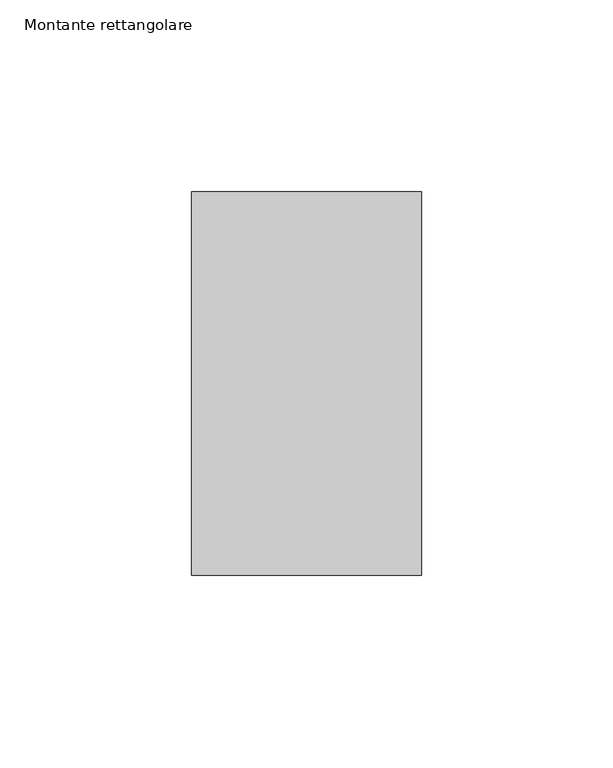
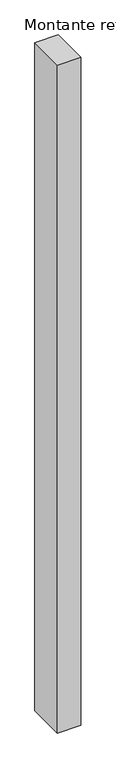
"""IFC4 building model written with IfcOpenShell, lengths in millimetres: member geometry, Montante rettangolare."""

from ifc_helpers import new_model, si_unit, frame, origin, place, context, project, spatial, polyline, outline, extrude, source, transform, mapped, element, save


def montante_rettangolare_71b71cf7(model_context):
    return source(origin(), model_context, "Body", "SweptSolid", [
        extrude(outline(polyline([(0.0, 50.0), (0.0, -50.0), (-60.0, -50.0), (-60.0, 50.0), (0.0, 50.0)])), frame((0.0, 0.0, -1810.8106088), z_axis=(0.0, 0.0, 1.0), x_axis=(1.0, 0.0, 0.0)), (0.0, 0.0, 1.0), 1810.8106088),
    ])


if __name__ == "__main__":
    model = new_model("IFC4")
    model_context = context("Model", 3, world=origin())
    ifc_project = project(units=[si_unit("LENGTHUNIT", "METRE", prefix="MILLI")], contexts=[model_context])
    site = spatial("IfcSite", under=ifc_project)
    building = spatial("IfcBuilding", under=site)
    placement = place(None, origin())
    montante_rettangolare_shape = montante_rettangolare_71b71cf7(model_context)
    element("IfcMember", 1, ObjectType="Montante rettangolare", at=placement, inside=building, context=model_context, shape_type="MappedRepresentation", body=[
        mapped(montante_rettangolare_shape, transform((0.0, 0.0, 0.0), x_axis=(1.0, 0.0, 0.0), y_axis=(0.0, 1.0, 0.0), z_axis=(0.0, 0.0, 1.0))),
    ])
    save(model, "model.ifc")
